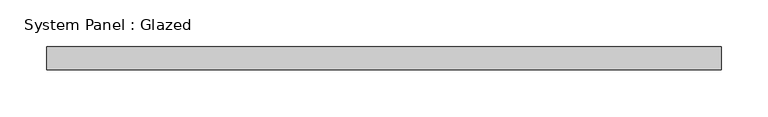
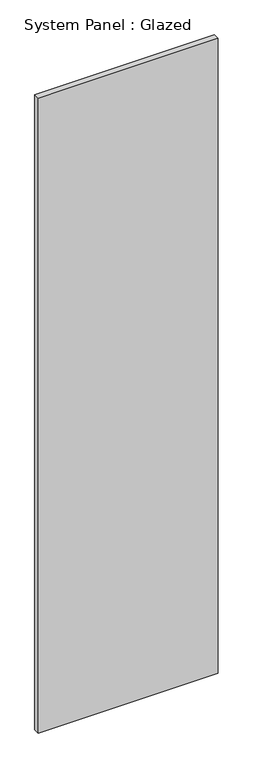
"""IFC4 building model written with IfcOpenShell, lengths in millimetres: plate geometry, System Panel : Glazed."""

from ifc_helpers import new_model, si_unit, origin, origin_with_axes, place, context, project, spatial, polyline, outline, extrude, source, transform, mapped, element, save


def system_panel_glazed_cde00897(model_context):
    return source(origin(), model_context, "Body", "SweptSolid", [
        extrude(outline(polyline([(361.8884337, 24.5), (-361.8884337, 24.5), (-361.8884337, 49.5), (361.8884337, 49.5), (361.8884337, 24.5)])), origin_with_axes(), (0.0, 0.0, 1.0), 2700.0),
    ])


if __name__ == "__main__":
    model = new_model("IFC4")
    model_context = context("Model", 3, world=origin())
    ifc_project = project(units=[si_unit("LENGTHUNIT", "METRE", prefix="MILLI")], contexts=[model_context])
    site = spatial("IfcSite", under=ifc_project)
    building = spatial("IfcBuilding", under=site)
    placement = place(None, origin())
    system_panel_glazed_shape = system_panel_glazed_cde00897(model_context)
    element("IfcPlate", 1, ObjectType="System Panel : Glazed", at=placement, inside=building, context=model_context, shape_type="MappedRepresentation", body=[
        mapped(system_panel_glazed_shape, transform((0.0, 0.0, 0.0), x_axis=(1.0, 0.0, 0.0), y_axis=(0.0, 1.0, 0.0), z_axis=(0.0, 0.0, 1.0))),
    ])
    save(model, "model.ifc")
